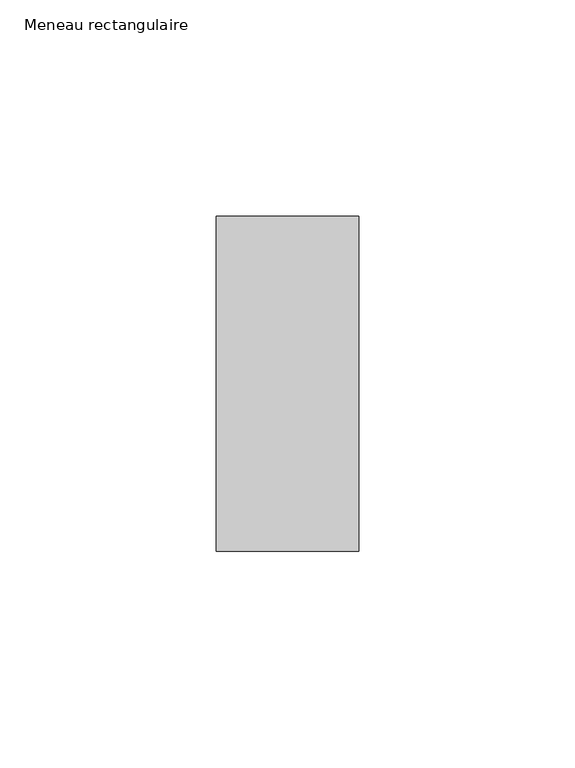
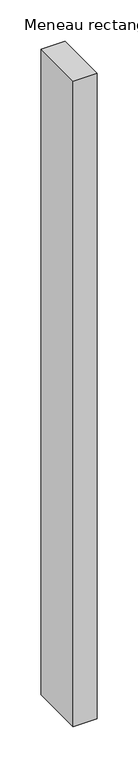
"""IFC4 building model written with IfcOpenShell, lengths in millimetres: member geometry, Meneau rectangulaire."""

from ifc_helpers import new_model, si_unit, frame, origin, place, context, project, spatial, polyline, outline, extrude, source, transform, mapped, element, save


def meneau_rectangulaire_5a15206a(model_context):
    return source(origin(), model_context, "Body", "SweptSolid", [
        extrude(outline(polyline([(0.0, 38.75), (0.0, -38.75), (-33.0, -38.75), (-33.0, 38.75), (0.0, 38.75)])), frame((0.0, 0.0, -952.3373825), z_axis=(0.0, 0.0, 1.0), x_axis=(1.0, 0.0, 0.0)), (0.0, 0.0, 1.0), 952.3373825),
    ])


if __name__ == "__main__":
    model = new_model("IFC4")
    model_context = context("Model", 3, world=origin())
    ifc_project = project(units=[si_unit("LENGTHUNIT", "METRE", prefix="MILLI")], contexts=[model_context])
    site = spatial("IfcSite", under=ifc_project)
    building = spatial("IfcBuilding", under=site)
    placement = place(None, origin())
    meneau_rectangulaire_shape = meneau_rectangulaire_5a15206a(model_context)
    element("IfcMember", 1, ObjectType="Meneau rectangulaire", at=placement, inside=building, context=model_context, shape_type="MappedRepresentation", body=[
        mapped(meneau_rectangulaire_shape, transform((0.0, 0.0, 0.0), x_axis=(1.0, 0.0, 0.0), y_axis=(0.0, 1.0, 0.0), z_axis=(0.0, 0.0, 1.0))),
    ])
    save(model, "model.ifc")
